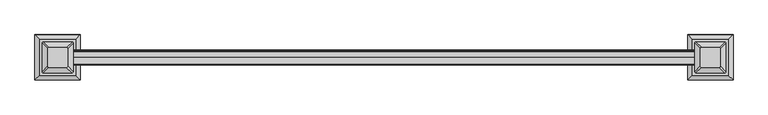
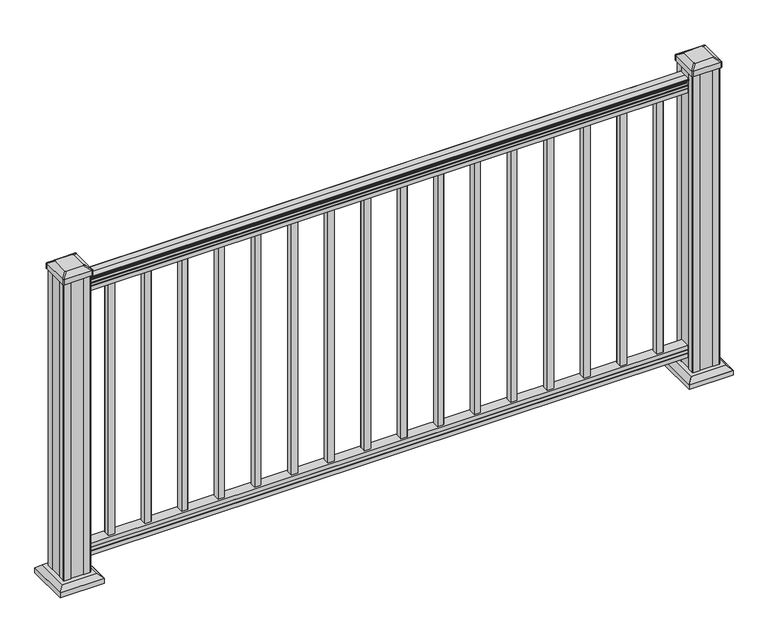
"""IFC4 building model written with IfcOpenShell, lengths in millimetres: railing geometry."""

import ifcopenshell
import ifcopenshell.guid

model = None  # the IFC model being written
_history = None  # IfcOwnerHistory: only IFC2X3 demands one
_inside = {}  # id of a spatial element -> (the spatial element, [elements in it])
_under = {}  # id of a project, library or spatial element -> (it, [spatial elements below it])
_declared = {}  # id of a project -> (the project, [libraries it declares])
_typed = {}  # id of a type object -> (the type object, [elements of that type])
_made_of = {}  # id of a material, layer set ... -> (it, [elements and type objects made of it])


def new_model(schema):
    """Start an empty IFC model of exactly this schema.

    Asked for "IFC4X3", IfcOpenShell would pick the latest addendum, in which some entities
    have other attributes; the version numbers below select the first issue.
    IFC2X3 requires an IfcOwnerHistory on every rooted entity: one is made here for all.
    """
    global model, _history
    if schema == "IFC4X3":
        model = ifcopenshell.file(schema_version=(4, 3, 0, 0))
    else:
        model = ifcopenshell.file(schema=schema)
    _inside.clear()
    _under.clear()
    _declared.clear()
    _typed.clear()
    _made_of.clear()
    _history = None
    if model.schema == "IFC2X3":
        org = make("IfcOrganization", Name="unknown")
        user = make(
            "IfcPersonAndOrganization",
            ThePerson=make("IfcPerson", FamilyName="unknown"),
            TheOrganization=org,
        )
        app = make(
            "IfcApplication",
            ApplicationDeveloper=org,
            Version="unknown",
            ApplicationFullName="unknown",
            ApplicationIdentifier="unknown",
        )
        _history = make(
            "IfcOwnerHistory",
            OwningUser=user,
            OwningApplication=app,
            ChangeAction="ADDED",
            CreationDate=0,
        )
    return model


def make(cls, **values):
    """One entity of the class cls with the attributes given. An attribute that is None is left unset."""
    return model.create_entity(
        cls, **{name: value for name, value in values.items() if value is not None}
    )


def rooted(cls, **values):
    """An entity with a GlobalId (a new one), such as an element, a storey or a relation."""
    return make(cls, GlobalId=ifcopenshell.guid.new(), OwnerHistory=_history, **values)


def si_unit(unit_type, name, prefix=None):
    """IfcSIUnit, for example si_unit("LENGTHUNIT", "METRE", prefix="MILLI")."""
    return make("IfcSIUnit", UnitType=unit_type, Prefix=prefix, Name=name)


def assignment(units):
    """IfcUnitAssignment: the units of a project."""
    return None if units is None else make("IfcUnitAssignment", Units=units)


def point(xyz):
    """IfcCartesianPoint."""
    return None if xyz is None else make("IfcCartesianPoint", Coordinates=xyz)


def direction(xyz):
    """IfcDirection."""
    return None if xyz is None else make("IfcDirection", DirectionRatios=xyz)


def frame(location, z_axis=None, x_axis=None):
    """IfcAxis2Placement3D, a coordinate frame: its origin and axes. An axis left out is left unset."""
    return make(
        "IfcAxis2Placement3D",
        Location=point(location),
        Axis=direction(z_axis),
        RefDirection=direction(x_axis),
    )


def frame_2d(location, x_axis=None):
    """IfcAxis2Placement2D, a coordinate frame in the plane: its origin and x axis."""
    return make(
        "IfcAxis2Placement2D", Location=point(location), RefDirection=direction(x_axis)
    )


def origin():
    """The frame at (0, 0, 0) with its axes left unset."""
    return frame((0.0, 0.0, 0.0))


def origin_with_axes():
    """The frame at (0, 0, 0) with the z axis (0, 0, 1) and the x axis (1, 0, 0) written out."""
    return frame((0.0, 0.0, 0.0), z_axis=(0.0, 0.0, 1.0), x_axis=(1.0, 0.0, 0.0))


def place(relative_to, where):
    """IfcLocalPlacement: puts the frame where relative to a parent placement (None: the world)."""
    return make(
        "IfcLocalPlacement", PlacementRelTo=relative_to, RelativePlacement=where
    )


def context(
    kind, dimensions, precision=None, world=None, true_north=None, identifier=None
):
    """IfcGeometricRepresentationContext, for example the 3D "Model" context."""
    return make(
        "IfcGeometricRepresentationContext",
        ContextIdentifier=identifier,
        ContextType=kind,
        CoordinateSpaceDimension=dimensions,
        Precision=precision,
        WorldCoordinateSystem=world,
        TrueNorth=true_north,
    )


def project(units=None, contexts=None):
    """IfcProject with its units and contexts."""
    return rooted(
        "IfcProject",
        Name="project",
        RepresentationContexts=contexts,
        UnitsInContext=assignment(units),
    )


def spatial(cls, under=None, at=None, **own):
    """A site, building, storey or space (cls), placed at a placement, below another one or the project."""
    s = rooted(cls, ObjectPlacement=at, **own)
    if under is not None:
        _under.setdefault(under.id(), (under, []))[1].append(s)
    return s


def polyline(points):
    """IfcPolyline through the points."""
    return make("IfcPolyline", Points=[point(p) for p in points])


def circle_curve(where, radius):
    """IfcCircle in the frame where."""
    return make("IfcCircle", Position=where, Radius=radius)


def trimmed(basis, trim1, trim2, sense, master):
    """IfcTrimmedCurve: the piece of a basis curve between two trims."""
    return make(
        "IfcTrimmedCurve",
        BasisCurve=basis,
        Trim1=trim1,
        Trim2=trim2,
        SenseAgreement=sense,
        MasterRepresentation=master,
    )


def segment(curve, same_sense, transition):
    """IfcCompositeCurveSegment."""
    return make(
        "IfcCompositeCurveSegment",
        Transition=transition,
        SameSense=same_sense,
        ParentCurve=curve,
    )


def composite_curve(segments, self_intersect=None):
    """IfcCompositeCurve: segments joined end to end."""
    return make("IfcCompositeCurve", Segments=segments, SelfIntersect=self_intersect)


def outline(outer, holes=None, kind="AREA"):
    """IfcArbitraryClosedProfileDef: a profile drawn as a closed curve; with holes, ...WithVoids."""
    if holes is None:
        return make("IfcArbitraryClosedProfileDef", ProfileType=kind, OuterCurve=outer)
    return make(
        "IfcArbitraryProfileDefWithVoids",
        ProfileType=kind,
        OuterCurve=outer,
        InnerCurves=holes,
    )


def extrude(swept, where, along, depth):
    """IfcExtrudedAreaSolid: the profile swept, set in the frame where, extruded along a direction by depth."""
    return make(
        "IfcExtrudedAreaSolid",
        SweptArea=swept,
        Position=where,
        ExtrudedDirection=direction(along),
        Depth=depth,
    )


def faces_of(points, faces, orient=None, outer=None):
    """IfcFace entities. A face is a list of loops; a loop is a list of indices into points, from 0.

    orient and outer hold one flag for each loop. By default every Orientation is true, the
    first loop of a face is its IfcFaceOuterBound and the others are IfcFaceBound.
    """
    made = []
    for i, loops in enumerate(faces):
        bounds = []
        for j, loop in enumerate(loops):
            is_outer = j == 0 if outer is None else outer[i][j]
            bounds.append(
                make(
                    "IfcFaceOuterBound" if is_outer else "IfcFaceBound",
                    Bound=make("IfcPolyLoop", Polygon=[points[k] for k in loop]),
                    Orientation=True if orient is None else orient[i][j],
                )
            )
        made.append(make("IfcFace", Bounds=bounds))
    return made


def faceted_brep(points, faces, orient=None, outer=None, voids=None):
    """IfcFacetedBrep: a solid bounded by flat faces; with voids (closed shells), ...WithVoids."""
    shared = [point(p) for p in points]
    hull = make("IfcClosedShell", CfsFaces=faces_of(shared, faces, orient, outer))
    if voids is None:
        return make("IfcFacetedBrep", Outer=hull)
    return make(
        "IfcFacetedBrepWithVoids",
        Outer=hull,
        Voids=[
            make(cls, CfsFaces=faces_of(shared, fs, o, b)) for cls, fs, o, b in voids
        ],
    )


def shape(context_of_items, identifier, shape_type, items):
    """IfcShapeRepresentation: the items that make up one representation, for example the "Body"."""
    return make(
        "IfcShapeRepresentation",
        ContextOfItems=context_of_items,
        RepresentationIdentifier=identifier,
        RepresentationType=shape_type,
        Items=items,
    )


def source(mapping_origin, context_of_items, identifier, shape_type, items):
    """IfcRepresentationMap: a shape defined once, which mapped items show again and again."""
    return make(
        "IfcRepresentationMap",
        MappingOrigin=mapping_origin,
        MappedRepresentation=shape(context_of_items, identifier, shape_type, items),
    )


def transform(
    local_origin,
    x_axis=None,
    y_axis=None,
    z_axis=None,
    scale=None,
    scale2=None,
    scale3=None,
    uniform=True,
):
    """IfcCartesianTransformationOperator3D, or its non-uniform kind. x_axis, y_axis, z_axis: its Axis1, 2, 3."""
    if uniform:
        return make(
            "IfcCartesianTransformationOperator3D",
            Axis1=direction(x_axis),
            Axis2=direction(y_axis),
            LocalOrigin=point(local_origin),
            Scale=scale,
            Axis3=direction(z_axis),
        )
    return make(
        "IfcCartesianTransformationOperator3DnonUniform",
        Axis1=direction(x_axis),
        Axis2=direction(y_axis),
        LocalOrigin=point(local_origin),
        Scale=scale,
        Axis3=direction(z_axis),
        Scale2=scale2,
        Scale3=scale3,
    )


def mapped(mapping_source, mapping_target):
    """IfcMappedItem: shows the shape of a source again, moved by a transform."""
    return make(
        "IfcMappedItem", MappingSource=mapping_source, MappingTarget=mapping_target
    )


def made_of(thing, what):
    """Note that an element or type object is made of a material, layer set ...; save() writes the relation."""
    if what is not None:
        _made_of.setdefault(what.id(), (what, []))[1].append(thing)
    return thing


def element(
    cls,
    number,
    at=None,
    inside=None,
    cuts=None,
    type_object=None,
    material=None,
    context=None,
    identifier="Body",
    shape_type=None,
    held_by="IfcProductDefinitionShape",
    body=None,
    shapes=None,
    **own,
):
    """One element of the class cls, such as IfcWall. Its Tag is "e" and its number.

    at: its placement. inside: the storey or other place that contains it. cuts: it is an
    opening in that element (IfcRelVoidsElement). A single representation is given by context,
    identifier, shape_type and body (its items); several are given by shapes. held_by: the class
    of the entity that holds the representations. save() writes the other relations.
    """
    e = rooted(cls, Tag="e%d" % number, ObjectPlacement=at, **own)
    if body is not None:
        shapes = [shape(context, identifier, shape_type, body)]
    if shapes is not None:
        e.Representation = make(held_by, Representations=shapes)
    if inside is not None:
        _inside.setdefault(inside.id(), (inside, []))[1].append(e)
    if cuts is not None:
        rooted(
            "IfcRelVoidsElement", RelatingBuildingElement=cuts, RelatedOpeningElement=e
        )
    if type_object is not None:
        _typed.setdefault(type_object.id(), (type_object, []))[1].append(e)
    return made_of(e, material)


def aggregate(whole, parts):
    """IfcRelAggregates: a whole, such as a stair, and the parts it consists of."""
    return rooted("IfcRelAggregates", RelatingObject=whole, RelatedObjects=parts)


def save(model, path):
    """Write the relations noted so far, then the file.

    IfcRelAggregates (storeys below a building ...), IfcRelContainedInSpatialStructure (elements
    in a storey), IfcRelDefinesByType, IfcRelAssociatesMaterial and IfcRelDeclares: one each for
    every whole, place, type object, material and project.
    """
    for whole, parts in _under.values():
        aggregate(whole, parts)
    for where, things in _inside.values():
        rooted(
            "IfcRelContainedInSpatialStructure",
            RelatedElements=things,
            RelatingStructure=where,
        )
    for kind, things in _typed.values():
        rooted("IfcRelDefinesByType", RelatedObjects=things, RelatingType=kind)
    for what, things in _made_of.values():
        rooted("IfcRelAssociatesMaterial", RelatedObjects=things, RelatingMaterial=what)
    for by, libraries in _declared.values():
        rooted("IfcRelDeclares", RelatingContext=by, RelatedDefinitions=libraries)
    model.write(path)


def plane_surface(at):
    """IfcPlane: the flat surface through the origin of the frame at, square to its z axis."""
    return make("IfcPlane", Position=at)


def extruded_surface(curve, direction_of_extrusion, depth):
    """IfcSurfaceOfLinearExtrusion: the curve pushed along a direction by depth."""
    return make(
        "IfcSurfaceOfLinearExtrusion",
        SweptCurve=make("IfcArbitraryOpenProfileDef", ProfileType="CURVE", Curve=curve),
        ExtrudedDirection=direction(direction_of_extrusion),
        Depth=depth,
    )


def advanced_brep(points, edges, surfaces, faces):
    """IfcAdvancedBrep: a solid bounded by faces that lie on surfaces and meet in shared edges.

    An edge is (start, end): straight between two places in points (the first is 0);
    or (start, end, curve); or (start, end, curve, False) where it runs against its curve.
    A face is (place in surfaces, loops), or (place, loops, False) where it looks against
    its surface's normal. A loop lists edges by number (the first is 1), with a minus sign
    where the edge is run from its end to its start. The first loop is the outer one.
    """
    corners = [point(p) for p in points]
    vertices = [make("IfcVertexPoint", VertexGeometry=c) for c in corners]
    made = []
    for start, end, *more in edges:
        made.append(
            make(
                "IfcEdgeCurve",
                EdgeStart=vertices[start],
                EdgeEnd=vertices[end],
                EdgeGeometry=more[0] if more else make("IfcPolyline", Points=[corners[start], corners[end]]),
                SameSense=more[1] if len(more) > 1 else True,
            )
        )
    hull = []
    for where, loops, *sense in faces:
        bounds = []
        for j, loop in enumerate(loops):
            ring = [make("IfcOrientedEdge", EdgeElement=made[abs(k) - 1], Orientation=k > 0) for k in loop]
            bounds.append(
                make(
                    "IfcFaceOuterBound" if j == 0 else "IfcFaceBound",
                    Bound=make("IfcEdgeLoop", EdgeList=ring),
                    Orientation=True,
                )
            )
        hull.append(make("IfcAdvancedFace", Bounds=bounds, FaceSurface=surfaces[where], SameSense=sense[0] if sense else True))
    return make("IfcAdvancedBrep", Outer=make("IfcClosedShell", CfsFaces=hull))


def railing_f51fd4d7(model_context):
    return source(origin(), model_context, "Body", "SolidModel", [
        extrude(outline(composite_curve([segment(trimmed(circle_curve(frame_2d((3957.2690602, 938.4043297)), 1.2869144), [point((3958.5559745, 938.4043297))], [point((3955.9821458, 938.4043297))], False, "CARTESIAN"), True, "CONTINUOUS"), segment(polyline([(3955.9821458, 938.4043297), (3955.9821458, 927.747013), (3956.9981458, 926.731013), (3956.9981458, 914.4), (3925.2481458, 914.4), (3925.2481458, 926.8888283), (3926.2641458, 927.9048283), (3926.2641458, 938.4043297)]), True, "CONTINUOUS"), segment(trimmed(circle_curve(frame_2d((3924.9772314, 938.4043297)), 1.2869144), [point((3926.2641458, 938.4043297))], [point((3923.6903171, 938.4043297))], False, "CARTESIAN"), True, "CONTINUOUS"), segment(polyline([(3923.6903171, 938.4043297), (3923.6903171, 940.292412)]), True, "CONTINUOUS"), segment(trimmed(circle_curve(frame_2d((3930.0050703, 946.0506383)), 8.545951), [point((3923.6903171, 940.292412))], [point((3922.5601308, 941.8546695))], False, "CARTESIAN"), True, "CONTINUOUS"), segment(trimmed(circle_curve(frame_2d((3929.5680074, 945.4636577)), 7.882584), [point((3922.5601308, 941.8546695))], [point((3922.5601308, 949.0726458))], False, "CARTESIAN"), True, "CONTINUOUS"), segment(trimmed(circle_curve(frame_2d((3919.0546832, 951.3112527)), 4.1592695), [point((3922.5601308, 949.0726458))], [point((3923.2093872, 951.5060812))], True, "CARTESIAN"), True, "CONTINUOUS"), segment(trimmed(circle_curve(frame_2d((3917.7673767, 951.2508864)), 5.4479907), [point((3923.2093872, 951.5060812))], [point((3920.7093872, 955.8362083))], True, "CARTESIAN"), True, "CONTINUOUS"), segment(trimmed(circle_curve(frame_2d((3919.0005351, 955.833395)), 1.7088543), [point((3920.7093872, 955.8362083))], [point((3919.3000447, 957.5157972))], True, "CARTESIAN"), True, "CONTINUOUS"), segment(trimmed(circle_curve(frame_2d((3920.6174352, 958.6205318)), 1.7192895), [point((3919.3000447, 957.5157972))], [point((3918.8981457, 958.6205318))], False, "CARTESIAN"), True, "CONTINUOUS"), segment(polyline([(3918.8981457, 958.6205318), (3918.8981458, 959.9608158)]), True, "CONTINUOUS"), segment(trimmed(circle_curve(frame_2d((3920.451593, 959.9608158)), 1.5534472), [point((3918.8981458, 959.9608158))], [point((3920.451593, 961.514263))], False, "CARTESIAN"), True, "CONTINUOUS"), segment(polyline([(3920.451593, 961.514263), (3941.1231458, 961.514263), (3961.7946986, 961.514263)]), True, "CONTINUOUS"), segment(trimmed(circle_curve(frame_2d((3961.7946986, 959.9608158)), 1.5534472), [point((3961.7946986, 961.514263))], [point((3963.3481458, 959.9608158))], False, "CARTESIAN"), True, "CONTINUOUS"), segment(polyline([(3963.3481458, 959.9608158), (3963.3481458, 958.6205318)]), True, "CONTINUOUS"), segment(trimmed(circle_curve(frame_2d((3961.6288564, 958.6205318)), 1.7192895), [point((3963.3481458, 958.6205318))], [point((3962.9462469, 957.5157972))], False, "CARTESIAN"), True, "CONTINUOUS"), segment(trimmed(circle_curve(frame_2d((3963.2457565, 955.833395)), 1.7088543), [point((3962.9462469, 957.5157972))], [point((3961.5369044, 955.8362083))], True, "CARTESIAN"), True, "CONTINUOUS"), segment(trimmed(circle_curve(frame_2d((3964.4789149, 951.2508864)), 5.4479907), [point((3961.5369044, 955.8362083))], [point((3959.0369044, 951.5060812))], True, "CARTESIAN"), True, "CONTINUOUS"), segment(trimmed(circle_curve(frame_2d((3963.1916083, 951.3112527)), 4.1592695), [point((3959.0369044, 951.5060812))], [point((3959.6861608, 949.0726458))], True, "CARTESIAN"), True, "CONTINUOUS"), segment(trimmed(circle_curve(frame_2d((3952.6782842, 945.4636577)), 7.882584), [point((3959.6861608, 949.0726458))], [point((3959.6861608, 941.8546695))], False, "CARTESIAN"), True, "CONTINUOUS"), segment(trimmed(circle_curve(frame_2d((3952.2412213, 946.0506383)), 8.545951), [point((3959.6861608, 941.8546695))], [point((3958.5559745, 940.292412))], False, "CARTESIAN"), True, "CONTINUOUS"), segment(polyline([(3958.5559745, 940.292412), (3958.5559745, 938.4043297)]), True, "CONTINUOUS")], self_intersect=False)), frame((20517.965028, 0.0, 0.0), z_axis=(1.0, 0.0, 0.0), x_axis=(0.0, 1.0, 0.0)), (0.0, 0.0, 1.0), 1828.8),
        extrude(outline(polyline([(3957.0356327, 76.0541976), (3957.0356327, 63.5), (3925.2856327, 63.5), (3925.2856327, 76.0375508), (3926.3016327, 77.3858283), (3926.3016327, 87.6975248), (3925.2856327, 89.0458024), (3925.2856327, 101.5958781), (3957.0356327, 101.5958781), (3957.0356327, 89.0624492), (3956.0196327, 87.7141717), (3956.0196327, 77.3546183), (3957.0356327, 76.0541976)])), frame((20517.965028, 0.0, 0.0), z_axis=(1.0, 0.0, 0.0), x_axis=(0.0, 1.0, 0.0)), (0.0, 0.0, 1.0), 1828.8),
        extrude(outline(polyline([(20608.452528, 3950.6481458), (20608.452528, 3931.5981458), (20589.402528, 3931.5981458), (20589.402528, 3950.6481458), (20608.452528, 3950.6481458)]), holes=[polyline([(20608.055653, 3950.2512708), (20589.799403, 3950.2512708), (20589.799403, 3931.9950208), (20608.055653, 3931.9950208), (20608.055653, 3950.2512708)])]), frame((0.0, 0.0, 101.5958781), z_axis=(0.0, 0.0, 1.0), x_axis=(1.0, 0.0, 0.0)), (0.0, 0.0, 1.0), 812.8041219),
        extrude(outline(polyline([(20719.577528, 3950.6481458), (20719.577528, 3931.5981458), (20700.527528, 3931.5981458), (20700.527528, 3950.6481458), (20719.577528, 3950.6481458)]), holes=[polyline([(20719.180653, 3950.2512708), (20700.924403, 3950.2512708), (20700.924403, 3931.9950208), (20719.180653, 3931.9950208), (20719.180653, 3950.2512708)])]), frame((0.0, 0.0, 101.5958781), z_axis=(0.0, 0.0, 1.0), x_axis=(1.0, 0.0, 0.0)), (0.0, 0.0, 1.0), 812.8041219),
        extrude(outline(polyline([(20830.702528, 3950.6481458), (20830.702528, 3931.5981458), (20811.652528, 3931.5981458), (20811.652528, 3950.6481458), (20830.702528, 3950.6481458)]), holes=[polyline([(20830.305653, 3950.2512708), (20812.049403, 3950.2512708), (20812.049403, 3931.9950208), (20830.305653, 3931.9950208), (20830.305653, 3950.2512708)])]), frame((0.0, 0.0, 101.5958781), z_axis=(0.0, 0.0, 1.0), x_axis=(1.0, 0.0, 0.0)), (0.0, 0.0, 1.0), 812.8041219),
        extrude(outline(polyline([(20941.827528, 3950.6481458), (20941.827528, 3931.5981458), (20922.777528, 3931.5981458), (20922.777528, 3950.6481458), (20941.827528, 3950.6481458)]), holes=[polyline([(20941.430653, 3950.2512708), (20923.174403, 3950.2512708), (20923.174403, 3931.9950208), (20941.430653, 3931.9950208), (20941.430653, 3950.2512708)])]), frame((0.0, 0.0, 101.5958781), z_axis=(0.0, 0.0, 1.0), x_axis=(1.0, 0.0, 0.0)), (0.0, 0.0, 1.0), 812.8041219),
        extrude(outline(polyline([(21052.952528, 3950.6481458), (21052.952528, 3931.5981458), (21033.902528, 3931.5981458), (21033.902528, 3950.6481458), (21052.952528, 3950.6481458)]), holes=[polyline([(21052.555653, 3950.2512708), (21034.299403, 3950.2512708), (21034.299403, 3931.9950208), (21052.555653, 3931.9950208), (21052.555653, 3950.2512708)])]), frame((0.0, 0.0, 101.5958781), z_axis=(0.0, 0.0, 1.0), x_axis=(1.0, 0.0, 0.0)), (0.0, 0.0, 1.0), 812.8041219),
        extrude(outline(polyline([(21164.077528, 3950.6481458), (21164.077528, 3931.5981458), (21145.027528, 3931.5981458), (21145.027528, 3950.6481458), (21164.077528, 3950.6481458)]), holes=[polyline([(21163.680653, 3950.2512708), (21145.424403, 3950.2512708), (21145.424403, 3931.9950208), (21163.680653, 3931.9950208), (21163.680653, 3950.2512708)])]), frame((0.0, 0.0, 101.5958781), z_axis=(0.0, 0.0, 1.0), x_axis=(1.0, 0.0, 0.0)), (0.0, 0.0, 1.0), 812.8041219),
        extrude(outline(polyline([(21275.202528, 3950.6481458), (21275.202528, 3931.5981458), (21256.152528, 3931.5981458), (21256.152528, 3950.6481458), (21275.202528, 3950.6481458)]), holes=[polyline([(21274.805653, 3950.2512708), (21256.549403, 3950.2512708), (21256.549403, 3931.9950208), (21274.805653, 3931.9950208), (21274.805653, 3950.2512708)])]), frame((0.0, 0.0, 101.5958781), z_axis=(0.0, 0.0, 1.0), x_axis=(1.0, 0.0, 0.0)), (0.0, 0.0, 1.0), 812.8041219),
        extrude(outline(polyline([(21386.327528, 3950.6481458), (21386.327528, 3931.5981458), (21367.277528, 3931.5981458), (21367.277528, 3950.6481458), (21386.327528, 3950.6481458)]), holes=[polyline([(21385.930653, 3950.2512708), (21367.674403, 3950.2512708), (21367.674403, 3931.9950208), (21385.930653, 3931.9950208), (21385.930653, 3950.2512708)])]), frame((0.0, 0.0, 101.5958781), z_axis=(0.0, 0.0, 1.0), x_axis=(1.0, 0.0, 0.0)), (0.0, 0.0, 1.0), 812.8041219),
        extrude(outline(polyline([(21497.452528, 3950.6481458), (21497.452528, 3931.5981458), (21478.402528, 3931.5981458), (21478.402528, 3950.6481458), (21497.452528, 3950.6481458)]), holes=[polyline([(21497.055653, 3950.2512708), (21478.799403, 3950.2512708), (21478.799403, 3931.9950208), (21497.055653, 3931.9950208), (21497.055653, 3950.2512708)])]), frame((0.0, 0.0, 101.5958781), z_axis=(0.0, 0.0, 1.0), x_axis=(1.0, 0.0, 0.0)), (0.0, 0.0, 1.0), 812.8041219),
        extrude(outline(polyline([(21608.577528, 3950.6481458), (21608.577528, 3931.5981458), (21589.527528, 3931.5981458), (21589.527528, 3950.6481458), (21608.577528, 3950.6481458)]), holes=[polyline([(21608.180653, 3950.2512708), (21589.924403, 3950.2512708), (21589.924403, 3931.9950208), (21608.180653, 3931.9950208), (21608.180653, 3950.2512708)])]), frame((0.0, 0.0, 101.5958781), z_axis=(0.0, 0.0, 1.0), x_axis=(1.0, 0.0, 0.0)), (0.0, 0.0, 1.0), 812.8041219),
        extrude(outline(polyline([(21719.702528, 3950.6481458), (21719.702528, 3931.5981458), (21700.652528, 3931.5981458), (21700.652528, 3950.6481458), (21719.702528, 3950.6481458)]), holes=[polyline([(21719.305653, 3950.2512708), (21701.049403, 3950.2512708), (21701.049403, 3931.9950208), (21719.305653, 3931.9950208), (21719.305653, 3950.2512708)])]), frame((0.0, 0.0, 101.5958781), z_axis=(0.0, 0.0, 1.0), x_axis=(1.0, 0.0, 0.0)), (0.0, 0.0, 1.0), 812.8041219),
        extrude(outline(polyline([(21830.827528, 3950.6481458), (21830.827528, 3931.5981458), (21811.777528, 3931.5981458), (21811.777528, 3950.6481458), (21830.827528, 3950.6481458)]), holes=[polyline([(21830.430653, 3950.2512708), (21812.174403, 3950.2512708), (21812.174403, 3931.9950208), (21830.430653, 3931.9950208), (21830.430653, 3950.2512708)])]), frame((0.0, 0.0, 101.5958781), z_axis=(0.0, 0.0, 1.0), x_axis=(1.0, 0.0, 0.0)), (0.0, 0.0, 1.0), 812.8041219),
        extrude(outline(polyline([(21941.952528, 3950.6481458), (21941.952528, 3931.5981458), (21922.902528, 3931.5981458), (21922.902528, 3950.6481458), (21941.952528, 3950.6481458)]), holes=[polyline([(21941.555653, 3950.2512708), (21923.299403, 3950.2512708), (21923.299403, 3931.9950208), (21941.555653, 3931.9950208), (21941.555653, 3950.2512708)])]), frame((0.0, 0.0, 101.5958781), z_axis=(0.0, 0.0, 1.0), x_axis=(1.0, 0.0, 0.0)), (0.0, 0.0, 1.0), 812.8041219),
        extrude(outline(polyline([(22053.077528, 3950.6481458), (22053.077528, 3931.5981458), (22034.027528, 3931.5981458), (22034.027528, 3950.6481458), (22053.077528, 3950.6481458)]), holes=[polyline([(22052.680653, 3950.2512708), (22034.424403, 3950.2512708), (22034.424403, 3931.9950208), (22052.680653, 3931.9950208), (22052.680653, 3950.2512708)])]), frame((0.0, 0.0, 101.5958781), z_axis=(0.0, 0.0, 1.0), x_axis=(1.0, 0.0, 0.0)), (0.0, 0.0, 1.0), 812.8041219),
        extrude(outline(polyline([(22164.202528, 3950.6481458), (22164.202528, 3931.5981458), (22145.152528, 3931.5981458), (22145.152528, 3950.6481458), (22164.202528, 3950.6481458)]), holes=[polyline([(22163.805653, 3950.2512708), (22145.549403, 3950.2512708), (22145.549403, 3931.9950208), (22163.805653, 3931.9950208), (22163.805653, 3950.2512708)])]), frame((0.0, 0.0, 101.5958781), z_axis=(0.0, 0.0, 1.0), x_axis=(1.0, 0.0, 0.0)), (0.0, 0.0, 1.0), 812.8041219),
        extrude(outline(polyline([(22275.327528, 3950.6481458), (22275.327528, 3931.5981458), (22256.277528, 3931.5981458), (22256.277528, 3950.6481458), (22275.327528, 3950.6481458)]), holes=[polyline([(22274.930653, 3950.2512708), (22256.674403, 3950.2512708), (22256.674403, 3931.9950208), (22274.930653, 3931.9950208), (22274.930653, 3950.2512708)])]), frame((0.0, 0.0, 101.5958781), z_axis=(0.0, 0.0, 1.0), x_axis=(1.0, 0.0, 0.0)), (0.0, 0.0, 1.0), 812.8041219),
        faceted_brep([(20529.2759655, 3993.7090833, 28.575), (20424.1040905, 3993.7090833, 28.575), (20424.1040905, 3888.5372083, 28.575), (20529.2759655, 3888.5372083, 28.575), (20543.3154186, 4007.7485364, 15.24), (20543.3154186, 3874.4977552, 15.24), (20410.0646373, 3874.4977552, 15.24), (20410.0646373, 4007.7485364, 15.24)], [[[0, 1, 2, 3]], [[4, 5, 6, 7]], [[4, 0, 3, 5]], [[5, 3, 2, 6]], [[6, 2, 1, 7]], [[7, 1, 0, 4]]]),
        extrude(outline(polyline([(20543.3154186, 4007.7485364), (20543.3154186, 3874.4977552), (20410.0646373, 3874.4977552), (20410.0646373, 4007.7485364), (20543.3154186, 4007.7485364)])), origin_with_axes(), (0.0, 0.0, 1.0), 15.24),
        advanced_brep(
        [(20505.661903, 3915.3262708, 1012.825), (20505.661903, 3966.9200208, 1012.825), (20502.486903, 3970.0950208, 1012.825), (20450.893153, 3970.0950208, 1012.825), (20447.718153, 3966.9200208, 1012.825), (20447.718153, 3915.3262708, 1012.825), (20450.893153, 3912.1512708, 1012.825), (20502.486903, 3912.1512708, 1012.825), (20521.933778, 3899.0543958, 1001.522), (20518.758778, 3895.8793958, 1001.522), (20434.621278, 3895.8793958, 1001.522), (20431.446278, 3899.0543958, 1001.522), (20431.446278, 3983.1918958, 1001.522), (20434.621278, 3986.3668958, 1001.522), (20518.758778, 3986.3668958, 1001.522), (20521.933778, 3983.1918958, 1001.522)],
        [
            (0, 1),
            (1, 2, circle_curve(frame((20502.486903, 3966.9200208, 1012.825), z_axis=(0.0, 0.0, 1.0), x_axis=(-1.0, 0.0, 0.0)), 3.175)),
            (2, 3),
            (3, 4, circle_curve(frame((20450.893153, 3966.9200208, 1012.825), z_axis=(0.0, 0.0, 1.0), x_axis=(-1.0, 0.0, 0.0)), 3.175)),
            (4, 5),
            (5, 6, circle_curve(frame((20450.893153, 3915.3262708, 1012.825), z_axis=(0.0, 0.0, 1.0), x_axis=(-1.0, 0.0, 0.0)), 3.175)),
            (6, 7),
            (7, 0, circle_curve(frame((20502.486903, 3915.3262708, 1012.825), z_axis=(0.0, 0.0, 1.0), x_axis=(-1.0, 0.0, 0.0)), 3.175)),
            (8, 9, circle_curve(frame((20518.758778, 3899.0543958, 1001.522), z_axis=(0.0, 0.0, -1.0), x_axis=(-1.0, 0.0, 0.0)), 3.175)),
            (9, 10),
            (10, 11, circle_curve(frame((20434.621278, 3899.0543958, 1001.522), z_axis=(0.0, 0.0, -1.0), x_axis=(-1.0, 0.0, 0.0)), 3.175)),
            (11, 12),
            (12, 13, circle_curve(frame((20434.621278, 3983.1918958, 1001.522), z_axis=(0.0, 0.0, -1.0), x_axis=(-1.0, 0.0, 0.0)), 3.175)),
            (13, 14),
            (14, 15, circle_curve(frame((20518.758778, 3983.1918958, 1001.522), z_axis=(0.0, 0.0, -1.0), x_axis=(-1.0, 0.0, 0.0)), 3.175)),
            (15, 8),
            (8, 0),
            (7, 9),
            (6, 10),
            (5, 11),
            (4, 12),
            (3, 13),
            (2, 14),
            (1, 15),
        ],
        [
            plane_surface(frame((20476.690028, 3941.1231458, 1012.825), z_axis=(0.0, 0.0, 1.0), x_axis=(0.0, -1.0, 0.0))),
            plane_surface(frame((20476.690028, 3941.1231458, 1001.522), z_axis=(0.0, 0.0, -1.0), x_axis=(0.0, -1.0, 0.0))),
            extruded_surface(trimmed(circle_curve(frame((20502.486903, 3915.3262708, 1012.825), z_axis=(0.0, 0.0, -1.0), x_axis=(-1.0, 0.0, 0.0)), 3.175), [point((20505.661903, 3915.3262708, 1012.825))], [point((20502.486903, 3912.1512708, 1012.825))], True, "CARTESIAN"), (16.271874999998545, -16.271875000000364, -11.302999999999997), 25.637972638865467),
            plane_surface(frame((20476.690028, 3895.8793958, 1001.522), z_axis=(0.0, -0.5705009161540779, 0.8212969649690408), x_axis=(-1.0, 0.0, 0.0))),
            extruded_surface(trimmed(circle_curve(frame((20450.893153, 3915.3262708, 1012.825), z_axis=(0.0, 0.0, -1.0), x_axis=(-1.0, 0.0, 0.0)), 3.175), [point((20450.893153, 3912.1512708, 1012.825))], [point((20447.718153, 3915.3262708, 1012.825))], True, "CARTESIAN"), (-16.271875000002183, -16.271875000000364, -11.302999999999997), 25.63797263886778),
            plane_surface(frame((20431.446278, 3941.1231458, 1001.522), z_axis=(-0.5705009161540291, 0.0, 0.8212969649690747), x_axis=(0.0, 1.0, 0.0))),
            extruded_surface(trimmed(circle_curve(frame((20450.893153, 3966.9200208, 1012.825), z_axis=(0.0, 0.0, -1.0), x_axis=(-1.0, 0.0, 0.0)), 3.175), [point((20447.718153, 3966.9200208, 1012.825))], [point((20450.893153, 3970.0950208, 1012.825))], True, "CARTESIAN"), (-16.271875000002183, 16.27187499999991, -11.302999999999997), 25.63797263886749),
            plane_surface(frame((20476.690028, 3986.3668958, 1001.522), z_axis=(0.0, 0.5705009161540141, 0.8212969649690851), x_axis=(1.0, 0.0, 0.0))),
            extruded_surface(trimmed(circle_curve(frame((20502.486903, 3966.9200208, 1012.825), z_axis=(0.0, 0.0, -1.0), x_axis=(-1.0, 0.0, 0.0)), 3.175), [point((20502.486903, 3970.0950208, 1012.825))], [point((20505.661903, 3966.9200208, 1012.825))], True, "CARTESIAN"), (16.271874999998545, 16.27187499999991, -11.302999999999997), 25.63797263886518),
            plane_surface(frame((20521.933778, 3941.1231458, 1001.522), z_axis=(0.570500916154034, 0.0, 0.8212969649690713), x_axis=(0.0, -1.0, 0.0))),
        ],
        [
            (0, [[1, 2, 3, 4, 5, 6, 7, 8]]),
            (1, [[9, 10, 11, 12, 13, 14, 15, 16]]),
            (2, [[17, -8, 18, -9]]),
            (3, [[-18, -7, 19, -10]]),
            (4, [[-19, -6, 20, -11]]),
            (5, [[-20, -5, 21, -12]]),
            (6, [[-21, -4, 22, -13]]),
            (7, [[-22, -3, 23, -14]]),
            (8, [[-23, -2, 24, -15]]),
            (9, [[-24, -1, -17, -16]]),
        ],
    ),
        extrude(outline(composite_curve([segment(trimmed(circle_curve(frame_2d((20518.758778, 3899.0543958)), 3.175), [point((20521.933778, 3899.0543958))], [point((20518.758778, 3895.8793958))], False, "CARTESIAN"), True, "CONTINUOUS"), segment(polyline([(20518.758778, 3895.8793958), (20434.621278, 3895.8793958)]), True, "CONTINUOUS"), segment(trimmed(circle_curve(frame_2d((20434.621278, 3899.0543958)), 3.175), [point((20434.621278, 3895.8793958))], [point((20431.446278, 3899.0543958))], False, "CARTESIAN"), True, "CONTINUOUS"), segment(polyline([(20431.446278, 3899.0543958), (20431.446278, 3983.1918958)]), True, "CONTINUOUS"), segment(trimmed(circle_curve(frame_2d((20434.621278, 3983.1918958)), 3.175), [point((20431.446278, 3983.1918958))], [point((20434.621278, 3986.3668958))], False, "CARTESIAN"), True, "CONTINUOUS"), segment(polyline([(20434.621278, 3986.3668958), (20518.758778, 3986.3668958)]), True, "CONTINUOUS"), segment(trimmed(circle_curve(frame_2d((20518.758778, 3983.1918958)), 3.175), [point((20518.758778, 3986.3668958))], [point((20521.933778, 3983.1918958))], False, "CARTESIAN"), True, "CONTINUOUS"), segment(polyline([(20521.933778, 3983.1918958), (20521.933778, 3899.0543958)]), True, "CONTINUOUS")], self_intersect=False)), frame((0.0, 0.0, 984.25), z_axis=(0.0, 0.0, 1.0), x_axis=(1.0, 0.0, 0.0)), (0.0, 0.0, 1.0), 17.272),
        extrude(outline(polyline([(20517.965028, 3901.4356458), (20516.377528, 3899.8481458), (20496.756028, 3899.8481458), (20495.994028, 3901.4356458), (20457.386028, 3901.4356458), (20456.624028, 3899.8481458), (20437.002528, 3899.8481458), (20435.415028, 3901.4356458), (20435.415028, 3921.0571458), (20437.002528, 3921.8191458), (20437.002528, 3960.4271458), (20435.415028, 3961.1891458), (20435.415028, 3980.8106458), (20437.002528, 3982.3981458), (20456.624028, 3982.3981458), (20457.386028, 3980.8106458), (20495.994028, 3980.8106458), (20496.756028, 3982.3981458), (20516.377528, 3982.3981458), (20517.965028, 3980.8106458), (20517.965028, 3961.1891458), (20516.377528, 3960.4271458), (20516.377528, 3921.8191458), (20517.965028, 3921.0571458), (20517.965028, 3901.4356458)])), origin_with_axes(), (0.0, 0.0, 1.0), 984.25),
        faceted_brep([(22440.6259655, 3993.7090833, 28.575), (22335.4540905, 3993.7090833, 28.575), (22335.4540905, 3888.5372083, 28.575), (22440.6259655, 3888.5372083, 28.575), (22454.6654186, 4007.7485364, 15.24), (22454.6654186, 3874.4977552, 15.24), (22321.4146373, 3874.4977552, 15.24), (22321.4146373, 4007.7485364, 15.24)], [[[0, 1, 2, 3]], [[4, 5, 6, 7]], [[4, 0, 3, 5]], [[5, 3, 2, 6]], [[6, 2, 1, 7]], [[7, 1, 0, 4]]]),
        extrude(outline(polyline([(22454.6654186, 4007.7485364), (22454.6654186, 3874.4977552), (22321.4146373, 3874.4977552), (22321.4146373, 4007.7485364), (22454.6654186, 4007.7485364)])), origin_with_axes(), (0.0, 0.0, 1.0), 15.24),
        advanced_brep(
        [(22417.011903, 3915.3262708, 1012.825), (22417.011903, 3966.9200208, 1012.825), (22413.836903, 3970.0950208, 1012.825), (22362.243153, 3970.0950208, 1012.825), (22359.068153, 3966.9200208, 1012.825), (22359.068153, 3915.3262708, 1012.825), (22362.243153, 3912.1512708, 1012.825), (22413.836903, 3912.1512708, 1012.825), (22433.283778, 3899.0543958, 1001.522), (22430.108778, 3895.8793958, 1001.522), (22345.971278, 3895.8793958, 1001.522), (22342.796278, 3899.0543958, 1001.522), (22342.796278, 3983.1918958, 1001.522), (22345.971278, 3986.3668958, 1001.522), (22430.108778, 3986.3668958, 1001.522), (22433.283778, 3983.1918958, 1001.522)],
        [
            (0, 1),
            (1, 2, circle_curve(frame((22413.836903, 3966.9200208, 1012.825), z_axis=(0.0, 0.0, 1.0), x_axis=(-1.0, 0.0, 0.0)), 3.175)),
            (2, 3),
            (3, 4, circle_curve(frame((22362.243153, 3966.9200208, 1012.825), z_axis=(0.0, 0.0, 1.0), x_axis=(-1.0, 0.0, 0.0)), 3.175)),
            (4, 5),
            (5, 6, circle_curve(frame((22362.243153, 3915.3262708, 1012.825), z_axis=(0.0, 0.0, 1.0), x_axis=(-1.0, 0.0, 0.0)), 3.175)),
            (6, 7),
            (7, 0, circle_curve(frame((22413.836903, 3915.3262708, 1012.825), z_axis=(0.0, 0.0, 1.0), x_axis=(-1.0, 0.0, 0.0)), 3.175)),
            (8, 9, circle_curve(frame((22430.108778, 3899.0543958, 1001.522), z_axis=(0.0, 0.0, -1.0), x_axis=(-1.0, 0.0, 0.0)), 3.175)),
            (9, 10),
            (10, 11, circle_curve(frame((22345.971278, 3899.0543958, 1001.522), z_axis=(0.0, 0.0, -1.0), x_axis=(-1.0, 0.0, 0.0)), 3.175)),
            (11, 12),
            (12, 13, circle_curve(frame((22345.971278, 3983.1918958, 1001.522), z_axis=(0.0, 0.0, -1.0), x_axis=(-1.0, 0.0, 0.0)), 3.175)),
            (13, 14),
            (14, 15, circle_curve(frame((22430.108778, 3983.1918958, 1001.522), z_axis=(0.0, 0.0, -1.0), x_axis=(-1.0, 0.0, 0.0)), 3.175)),
            (15, 8),
            (8, 0),
            (7, 9),
            (6, 10),
            (5, 11),
            (4, 12),
            (3, 13),
            (2, 14),
            (1, 15),
        ],
        [
            plane_surface(frame((22388.040028, 3941.1231458, 1012.825), z_axis=(0.0, 0.0, 1.0), x_axis=(0.0, -1.0, 0.0))),
            plane_surface(frame((22388.040028, 3941.1231458, 1001.522), z_axis=(0.0, 0.0, -1.0), x_axis=(0.0, -1.0, 0.0))),
            extruded_surface(trimmed(circle_curve(frame((22413.836903, 3915.3262708, 1012.825), z_axis=(0.0, 0.0, -1.0), x_axis=(-1.0, 0.0, 0.0)), 3.175), [point((22417.011903, 3915.3262708, 1012.825))], [point((22413.836903, 3912.1512708, 1012.825))], True, "CARTESIAN"), (16.271875000002183, -16.271875000000364, -11.302999999999997), 25.63797263886778),
            plane_surface(frame((22388.040028, 3895.8793958, 1001.522), z_axis=(0.0, -0.5705009161540779, 0.8212969649690408), x_axis=(-1.0, 0.0, 0.0))),
            extruded_surface(trimmed(circle_curve(frame((22362.243153, 3915.3262708, 1012.825), z_axis=(0.0, 0.0, -1.0), x_axis=(-1.0, 0.0, 0.0)), 3.175), [point((22362.243153, 3912.1512708, 1012.825))], [point((22359.068153, 3915.3262708, 1012.825))], True, "CARTESIAN"), (-16.271874999998545, -16.271875000000364, -11.302999999999997), 25.637972638865467),
            plane_surface(frame((22342.796278, 3941.1231458, 1001.522), z_axis=(-0.5705009161540291, 0.0, 0.8212969649690747), x_axis=(0.0, 1.0, 0.0))),
            extruded_surface(trimmed(circle_curve(frame((22362.243153, 3966.9200208, 1012.825), z_axis=(0.0, 0.0, -1.0), x_axis=(-1.0, 0.0, 0.0)), 3.175), [point((22359.068153, 3966.9200208, 1012.825))], [point((22362.243153, 3970.0950208, 1012.825))], True, "CARTESIAN"), (-16.271874999998545, 16.27187499999991, -11.302999999999997), 25.63797263886518),
            plane_surface(frame((22388.040028, 3986.3668958, 1001.522), z_axis=(0.0, 0.5705009161540141, 0.8212969649690851), x_axis=(1.0, 0.0, 0.0))),
            extruded_surface(trimmed(circle_curve(frame((22413.836903, 3966.9200208, 1012.825), z_axis=(0.0, 0.0, -1.0), x_axis=(-1.0, 0.0, 0.0)), 3.175), [point((22413.836903, 3970.0950208, 1012.825))], [point((22417.011903, 3966.9200208, 1012.825))], True, "CARTESIAN"), (16.271875000002183, 16.27187499999991, -11.302999999999997), 25.63797263886749),
            plane_surface(frame((22433.283778, 3941.1231458, 1001.522), z_axis=(0.570500916154034, 0.0, 0.8212969649690713), x_axis=(0.0, -1.0, 0.0))),
        ],
        [
            (0, [[1, 2, 3, 4, 5, 6, 7, 8]]),
            (1, [[9, 10, 11, 12, 13, 14, 15, 16]]),
            (2, [[17, -8, 18, -9]]),
            (3, [[-18, -7, 19, -10]]),
            (4, [[-19, -6, 20, -11]]),
            (5, [[-20, -5, 21, -12]]),
            (6, [[-21, -4, 22, -13]]),
            (7, [[-22, -3, 23, -14]]),
            (8, [[-23, -2, 24, -15]]),
            (9, [[-24, -1, -17, -16]]),
        ],
    ),
        extrude(outline(composite_curve([segment(trimmed(circle_curve(frame_2d((22430.108778, 3899.0543958)), 3.175), [point((22433.283778, 3899.0543958))], [point((22430.108778, 3895.8793958))], False, "CARTESIAN"), True, "CONTINUOUS"), segment(polyline([(22430.108778, 3895.8793958), (22345.971278, 3895.8793958)]), True, "CONTINUOUS"), segment(trimmed(circle_curve(frame_2d((22345.971278, 3899.0543958)), 3.175), [point((22345.971278, 3895.8793958))], [point((22342.796278, 3899.0543958))], False, "CARTESIAN"), True, "CONTINUOUS"), segment(polyline([(22342.796278, 3899.0543958), (22342.796278, 3983.1918958)]), True, "CONTINUOUS"), segment(trimmed(circle_curve(frame_2d((22345.971278, 3983.1918958)), 3.175), [point((22342.796278, 3983.1918958))], [point((22345.971278, 3986.3668958))], False, "CARTESIAN"), True, "CONTINUOUS"), segment(polyline([(22345.971278, 3986.3668958), (22430.108778, 3986.3668958)]), True, "CONTINUOUS"), segment(trimmed(circle_curve(frame_2d((22430.108778, 3983.1918958)), 3.175), [point((22430.108778, 3986.3668958))], [point((22433.283778, 3983.1918958))], False, "CARTESIAN"), True, "CONTINUOUS"), segment(polyline([(22433.283778, 3983.1918958), (22433.283778, 3899.0543958)]), True, "CONTINUOUS")], self_intersect=False)), frame((0.0, 0.0, 984.25), z_axis=(0.0, 0.0, 1.0), x_axis=(1.0, 0.0, 0.0)), (0.0, 0.0, 1.0), 17.272),
        extrude(outline(polyline([(22429.315028, 3901.4356458), (22427.727528, 3899.8481458), (22408.106028, 3899.8481458), (22407.344028, 3901.4356458), (22368.736028, 3901.4356458), (22367.974028, 3899.8481458), (22348.352528, 3899.8481458), (22346.765028, 3901.4356458), (22346.765028, 3921.0571458), (22348.352528, 3921.8191458), (22348.352528, 3960.4271458), (22346.765028, 3961.1891458), (22346.765028, 3980.8106458), (22348.352528, 3982.3981458), (22367.974028, 3982.3981458), (22368.736028, 3980.8106458), (22407.344028, 3980.8106458), (22408.106028, 3982.3981458), (22427.727528, 3982.3981458), (22429.315028, 3980.8106458), (22429.315028, 3961.1891458), (22427.727528, 3960.4271458), (22427.727528, 3921.8191458), (22429.315028, 3921.0571458), (22429.315028, 3901.4356458)])), origin_with_axes(), (0.0, 0.0, 1.0), 984.25),
    ])


if __name__ == "__main__":
    model = new_model("IFC4")
    model_context = context("Model", 3, world=origin())
    ifc_project = project(units=[si_unit("LENGTHUNIT", "METRE", prefix="MILLI")], contexts=[model_context])
    site = spatial("IfcSite", under=ifc_project)
    building = spatial("IfcBuilding", under=site)
    placement = place(None, origin())
    railing_shape = railing_f51fd4d7(model_context)
    element("IfcRailing", 1, at=placement, inside=building, context=model_context, shape_type="MappedRepresentation", body=[
        mapped(railing_shape, transform((0.0, 0.0, 0.0), x_axis=(1.0, 0.0, 0.0), y_axis=(0.0, 1.0, 0.0), z_axis=(0.0, 0.0, 1.0))),
    ])
    save(model, "model.ifc")
